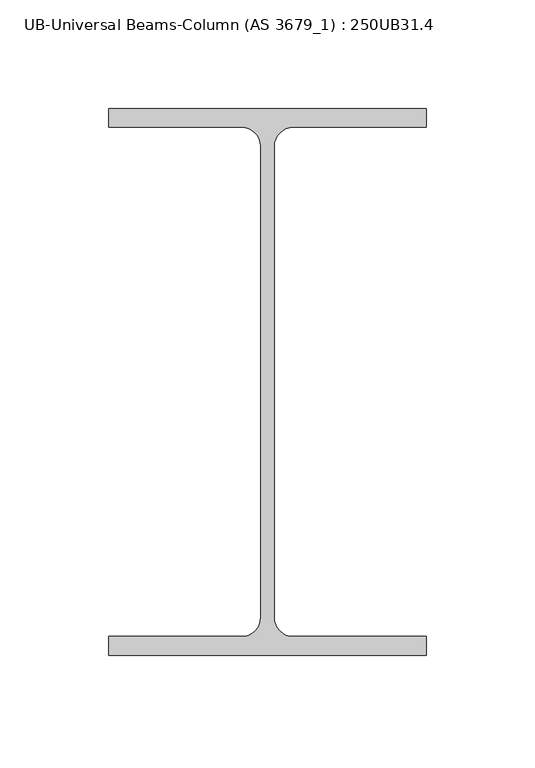
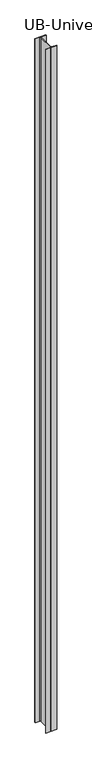
"""IFC4 building model written with IfcOpenShell, lengths in millimetres: column geometry, UB-Universal Beams-Column (AS 3679_1) : 250UB31.4."""

import ifcopenshell
import ifcopenshell.guid

model = None  # the IFC model being written
_history = None  # IfcOwnerHistory: only IFC2X3 demands one
_inside = {}  # id of a spatial element -> (the spatial element, [elements in it])
_under = {}  # id of a project, library or spatial element -> (it, [spatial elements below it])
_declared = {}  # id of a project -> (the project, [libraries it declares])
_typed = {}  # id of a type object -> (the type object, [elements of that type])
_made_of = {}  # id of a material, layer set ... -> (it, [elements and type objects made of it])


def new_model(schema):
    """Start an empty IFC model of exactly this schema.

    Asked for "IFC4X3", IfcOpenShell would pick the latest addendum, in which some entities
    have other attributes; the version numbers below select the first issue.
    IFC2X3 requires an IfcOwnerHistory on every rooted entity: one is made here for all.
    """
    global model, _history
    if schema == "IFC4X3":
        model = ifcopenshell.file(schema_version=(4, 3, 0, 0))
    else:
        model = ifcopenshell.file(schema=schema)
    _inside.clear()
    _under.clear()
    _declared.clear()
    _typed.clear()
    _made_of.clear()
    _history = None
    if model.schema == "IFC2X3":
        org = make("IfcOrganization", Name="unknown")
        user = make(
            "IfcPersonAndOrganization",
            ThePerson=make("IfcPerson", FamilyName="unknown"),
            TheOrganization=org,
        )
        app = make(
            "IfcApplication",
            ApplicationDeveloper=org,
            Version="unknown",
            ApplicationFullName="unknown",
            ApplicationIdentifier="unknown",
        )
        _history = make(
            "IfcOwnerHistory",
            OwningUser=user,
            OwningApplication=app,
            ChangeAction="ADDED",
            CreationDate=0,
        )
    return model


def make(cls, **values):
    """One entity of the class cls with the attributes given. An attribute that is None is left unset."""
    return model.create_entity(
        cls, **{name: value for name, value in values.items() if value is not None}
    )


def rooted(cls, **values):
    """An entity with a GlobalId (a new one), such as an element, a storey or a relation."""
    return make(cls, GlobalId=ifcopenshell.guid.new(), OwnerHistory=_history, **values)


def si_unit(unit_type, name, prefix=None):
    """IfcSIUnit, for example si_unit("LENGTHUNIT", "METRE", prefix="MILLI")."""
    return make("IfcSIUnit", UnitType=unit_type, Prefix=prefix, Name=name)


def assignment(units):
    """IfcUnitAssignment: the units of a project."""
    return None if units is None else make("IfcUnitAssignment", Units=units)


def point(xyz):
    """IfcCartesianPoint."""
    return None if xyz is None else make("IfcCartesianPoint", Coordinates=xyz)


def direction(xyz):
    """IfcDirection."""
    return None if xyz is None else make("IfcDirection", DirectionRatios=xyz)


def frame(location, z_axis=None, x_axis=None):
    """IfcAxis2Placement3D, a coordinate frame: its origin and axes. An axis left out is left unset."""
    return make(
        "IfcAxis2Placement3D",
        Location=point(location),
        Axis=direction(z_axis),
        RefDirection=direction(x_axis),
    )


def frame_2d(location, x_axis=None):
    """IfcAxis2Placement2D, a coordinate frame in the plane: its origin and x axis."""
    return make(
        "IfcAxis2Placement2D", Location=point(location), RefDirection=direction(x_axis)
    )


def origin():
    """The frame at (0, 0, 0) with its axes left unset."""
    return frame((0.0, 0.0, 0.0))


def place(relative_to, where):
    """IfcLocalPlacement: puts the frame where relative to a parent placement (None: the world)."""
    return make(
        "IfcLocalPlacement", PlacementRelTo=relative_to, RelativePlacement=where
    )


def context(
    kind, dimensions, precision=None, world=None, true_north=None, identifier=None
):
    """IfcGeometricRepresentationContext, for example the 3D "Model" context."""
    return make(
        "IfcGeometricRepresentationContext",
        ContextIdentifier=identifier,
        ContextType=kind,
        CoordinateSpaceDimension=dimensions,
        Precision=precision,
        WorldCoordinateSystem=world,
        TrueNorth=true_north,
    )


def project(units=None, contexts=None):
    """IfcProject with its units and contexts."""
    return rooted(
        "IfcProject",
        Name="project",
        RepresentationContexts=contexts,
        UnitsInContext=assignment(units),
    )


def spatial(cls, under=None, at=None, **own):
    """A site, building, storey or space (cls), placed at a placement, below another one or the project."""
    s = rooted(cls, ObjectPlacement=at, **own)
    if under is not None:
        _under.setdefault(under.id(), (under, []))[1].append(s)
    return s


def polyline(points):
    """IfcPolyline through the points."""
    return make("IfcPolyline", Points=[point(p) for p in points])


def circle_curve(where, radius):
    """IfcCircle in the frame where."""
    return make("IfcCircle", Position=where, Radius=radius)


def trimmed(basis, trim1, trim2, sense, master):
    """IfcTrimmedCurve: the piece of a basis curve between two trims."""
    return make(
        "IfcTrimmedCurve",
        BasisCurve=basis,
        Trim1=trim1,
        Trim2=trim2,
        SenseAgreement=sense,
        MasterRepresentation=master,
    )


def segment(curve, same_sense, transition):
    """IfcCompositeCurveSegment."""
    return make(
        "IfcCompositeCurveSegment",
        Transition=transition,
        SameSense=same_sense,
        ParentCurve=curve,
    )


def composite_curve(segments, self_intersect=None):
    """IfcCompositeCurve: segments joined end to end."""
    return make("IfcCompositeCurve", Segments=segments, SelfIntersect=self_intersect)


def outline(outer, holes=None, kind="AREA"):
    """IfcArbitraryClosedProfileDef: a profile drawn as a closed curve; with holes, ...WithVoids."""
    if holes is None:
        return make("IfcArbitraryClosedProfileDef", ProfileType=kind, OuterCurve=outer)
    return make(
        "IfcArbitraryProfileDefWithVoids",
        ProfileType=kind,
        OuterCurve=outer,
        InnerCurves=holes,
    )


def extrude(swept, where, along, depth):
    """IfcExtrudedAreaSolid: the profile swept, set in the frame where, extruded along a direction by depth."""
    return make(
        "IfcExtrudedAreaSolid",
        SweptArea=swept,
        Position=where,
        ExtrudedDirection=direction(along),
        Depth=depth,
    )


def shape(context_of_items, identifier, shape_type, items):
    """IfcShapeRepresentation: the items that make up one representation, for example the "Body"."""
    return make(
        "IfcShapeRepresentation",
        ContextOfItems=context_of_items,
        RepresentationIdentifier=identifier,
        RepresentationType=shape_type,
        Items=items,
    )


def source(mapping_origin, context_of_items, identifier, shape_type, items):
    """IfcRepresentationMap: a shape defined once, which mapped items show again and again."""
    return make(
        "IfcRepresentationMap",
        MappingOrigin=mapping_origin,
        MappedRepresentation=shape(context_of_items, identifier, shape_type, items),
    )


def transform(
    local_origin,
    x_axis=None,
    y_axis=None,
    z_axis=None,
    scale=None,
    scale2=None,
    scale3=None,
    uniform=True,
):
    """IfcCartesianTransformationOperator3D, or its non-uniform kind. x_axis, y_axis, z_axis: its Axis1, 2, 3."""
    if uniform:
        return make(
            "IfcCartesianTransformationOperator3D",
            Axis1=direction(x_axis),
            Axis2=direction(y_axis),
            LocalOrigin=point(local_origin),
            Scale=scale,
            Axis3=direction(z_axis),
        )
    return make(
        "IfcCartesianTransformationOperator3DnonUniform",
        Axis1=direction(x_axis),
        Axis2=direction(y_axis),
        LocalOrigin=point(local_origin),
        Scale=scale,
        Axis3=direction(z_axis),
        Scale2=scale2,
        Scale3=scale3,
    )


def mapped(mapping_source, mapping_target):
    """IfcMappedItem: shows the shape of a source again, moved by a transform."""
    return make(
        "IfcMappedItem", MappingSource=mapping_source, MappingTarget=mapping_target
    )


def made_of(thing, what):
    """Note that an element or type object is made of a material, layer set ...; save() writes the relation."""
    if what is not None:
        _made_of.setdefault(what.id(), (what, []))[1].append(thing)
    return thing


def element(
    cls,
    number,
    at=None,
    inside=None,
    cuts=None,
    type_object=None,
    material=None,
    context=None,
    identifier="Body",
    shape_type=None,
    held_by="IfcProductDefinitionShape",
    body=None,
    shapes=None,
    **own,
):
    """One element of the class cls, such as IfcWall. Its Tag is "e" and its number.

    at: its placement. inside: the storey or other place that contains it. cuts: it is an
    opening in that element (IfcRelVoidsElement). A single representation is given by context,
    identifier, shape_type and body (its items); several are given by shapes. held_by: the class
    of the entity that holds the representations. save() writes the other relations.
    """
    e = rooted(cls, Tag="e%d" % number, ObjectPlacement=at, **own)
    if body is not None:
        shapes = [shape(context, identifier, shape_type, body)]
    if shapes is not None:
        e.Representation = make(held_by, Representations=shapes)
    if inside is not None:
        _inside.setdefault(inside.id(), (inside, []))[1].append(e)
    if cuts is not None:
        rooted(
            "IfcRelVoidsElement", RelatingBuildingElement=cuts, RelatedOpeningElement=e
        )
    if type_object is not None:
        _typed.setdefault(type_object.id(), (type_object, []))[1].append(e)
    return made_of(e, material)


def aggregate(whole, parts):
    """IfcRelAggregates: a whole, such as a stair, and the parts it consists of."""
    return rooted("IfcRelAggregates", RelatingObject=whole, RelatedObjects=parts)


def save(model, path):
    """Write the relations noted so far, then the file.

    IfcRelAggregates (storeys below a building ...), IfcRelContainedInSpatialStructure (elements
    in a storey), IfcRelDefinesByType, IfcRelAssociatesMaterial and IfcRelDeclares: one each for
    every whole, place, type object, material and project.
    """
    for whole, parts in _under.values():
        aggregate(whole, parts)
    for where, things in _inside.values():
        rooted(
            "IfcRelContainedInSpatialStructure",
            RelatedElements=things,
            RelatingStructure=where,
        )
    for kind, things in _typed.values():
        rooted("IfcRelDefinesByType", RelatedObjects=things, RelatingType=kind)
    for what, things in _made_of.values():
        rooted("IfcRelAssociatesMaterial", RelatedObjects=things, RelatingMaterial=what)
    for by, libraries in _declared.values():
        rooted("IfcRelDeclares", RelatingContext=by, RelatedDefinitions=libraries)
    model.write(path)


def ub_universal_beams_column_as_3679_1_250ub31_4_7b016887(model_context):
    return source(origin(), model_context, "Body", "SweptSolid", [
        extrude(outline(composite_curve([segment(polyline([(73.0, 125.8), (73.0, 117.2), (11.95, 117.2)]), True, "CONTINUOUS"), segment(trimmed(circle_curve(frame_2d((11.95, 108.3)), 8.9), [point((11.95, 117.2))], [point((3.05, 108.3))], True, "CARTESIAN"), True, "CONTINUOUS"), segment(polyline([(3.05, 108.3), (3.05, -108.3)]), True, "CONTINUOUS"), segment(trimmed(circle_curve(frame_2d((11.95, -108.3)), 8.9), [point((3.05, -108.3))], [point((11.95, -117.2))], True, "CARTESIAN"), True, "CONTINUOUS"), segment(polyline([(11.95, -117.2), (73.0, -117.2), (73.0, -125.8), (-73.0, -125.8), (-73.0, -117.2), (-11.95, -117.2)]), True, "CONTINUOUS"), segment(trimmed(circle_curve(frame_2d((-11.95, -108.3)), 8.9), [point((-11.95, -117.2))], [point((-3.05, -108.3))], True, "CARTESIAN"), True, "CONTINUOUS"), segment(polyline([(-3.05, -108.3), (-3.05, 108.3)]), True, "CONTINUOUS"), segment(trimmed(circle_curve(frame_2d((-11.95, 108.3)), 8.9), [point((-3.05, 108.3))], [point((-11.95, 117.2))], True, "CARTESIAN"), True, "CONTINUOUS"), segment(polyline([(-11.95, 117.2), (-73.0, 117.2), (-73.0, 125.8), (73.0, 125.8)]), True, "CONTINUOUS")], self_intersect=False)), frame((0.0, 0.0, -250.0), z_axis=(0.0, 0.0, 1.0), x_axis=(1.0, 0.0, 0.0)), (0.0, 0.0, 1.0), 9550.0),
    ])


if __name__ == "__main__":
    model = new_model("IFC4")
    model_context = context("Model", 3, world=origin())
    ifc_project = project(units=[si_unit("LENGTHUNIT", "METRE", prefix="MILLI")], contexts=[model_context])
    site = spatial("IfcSite", under=ifc_project)
    building = spatial("IfcBuilding", under=site)
    placement = place(None, origin())
    ub_universal_beams_column_as_3679_1_250ub31_4_shape = ub_universal_beams_column_as_3679_1_250ub31_4_7b016887(model_context)
    element("IfcColumn", 1, ObjectType="UB-Universal Beams-Column (AS 3679_1) : 250UB31.4", at=placement, inside=building, context=model_context, shape_type="MappedRepresentation", body=[
        mapped(ub_universal_beams_column_as_3679_1_250ub31_4_shape, transform((0.0, 0.0, 0.0), x_axis=(1.0, 0.0, 0.0), y_axis=(0.0, 1.0, 0.0), z_axis=(0.0, 0.0, 1.0))),
    ])
    save(model, "model.ifc")
